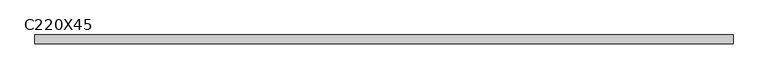
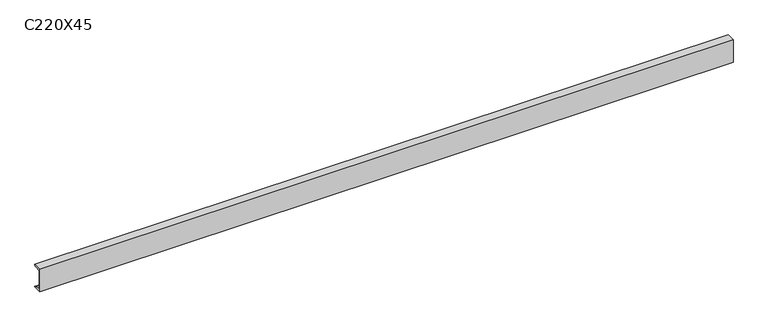
"""IFC4 building model written with IfcOpenShell, lengths in millimetres: beam geometry, C220X45."""

from ifc_helpers import new_model, si_unit, point, frame, frame_2d, origin, place, context, project, spatial, polyline, circle_curve, trimmed, segment, composite_curve, outline, extrude, source, transform, mapped, element, save


def c220x45_1fb3dde8(model_context):
    return source(origin(), model_context, "Body", "SweptSolid", [
        extrude(outline(composite_curve([segment(polyline([(-17.0, 110.0), (64.0, 110.0)]), True, "CONTINUOUS"), segment(trimmed(circle_curve(frame_2d((51.0, 110.0)), 13.0), [point((64.0, 110.0))], [point((51.0, 97.0))], False, "CARTESIAN"), True, "CONTINUOUS"), segment(polyline([(51.0, 97.0), (-4.0, 88.2888558), (-4.0, -88.2888558), (51.0, -97.0)]), True, "CONTINUOUS"), segment(trimmed(circle_curve(frame_2d((51.0, -110.0)), 13.0), [point((51.0, -97.0))], [point((64.0, -110.0))], False, "CARTESIAN"), True, "CONTINUOUS"), segment(polyline([(64.0, -110.0), (-17.0, -110.0), (-17.0, 110.0)]), True, "CONTINUOUS")], self_intersect=False)), frame((-3220.5, 0.0, 0.0), z_axis=(1.0, 0.0, 0.0), x_axis=(0.0, 1.0, 0.0)), (0.0, 0.0, 1.0), 6441.0),
    ])


if __name__ == "__main__":
    model = new_model("IFC4")
    model_context = context("Model", 3, world=origin())
    ifc_project = project(units=[si_unit("LENGTHUNIT", "METRE", prefix="MILLI")], contexts=[model_context])
    site = spatial("IfcSite", under=ifc_project)
    building = spatial("IfcBuilding", under=site)
    placement = place(None, origin())
    c220x45_shape = c220x45_1fb3dde8(model_context)
    element("IfcBeam", 1, ObjectType="C220X45", at=placement, inside=building, context=model_context, shape_type="MappedRepresentation", body=[
        mapped(c220x45_shape, transform((0.0, 0.0, 0.0), x_axis=(1.0, 0.0, 0.0), y_axis=(0.0, 1.0, 0.0), z_axis=(0.0, 0.0, 1.0))),
    ])
    save(model, "model.ifc")
